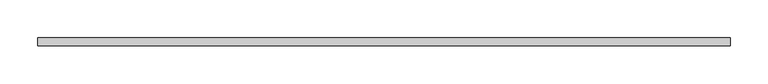
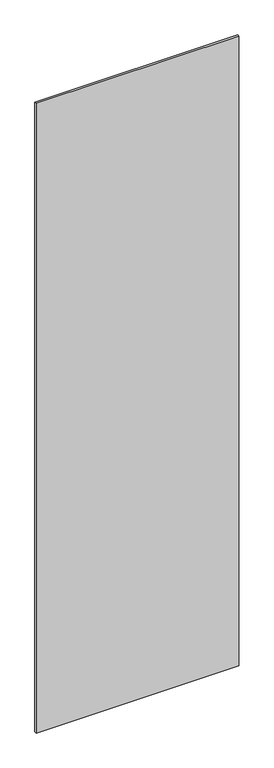
"""IFC4 building model written with IfcOpenShell, lengths in millimetres: plate geometry."""

from ifc_helpers import new_model, si_unit, origin, origin_with_axes, place, context, project, spatial, polyline, outline, extrude, source, transform, mapped, element, save


def plate_cbe70091(model_context):
    return source(origin(), model_context, "Body", "SweptSolid", [
        extrude(outline(polyline([(455.5000002, 5.0), (455.5000002, -5.0), (-455.5000002, -5.0), (-455.5000002, 5.0), (455.5000002, 5.0)])), origin_with_axes(), (0.0, 0.0, 1.0), 2994.0),
    ])


if __name__ == "__main__":
    model = new_model("IFC4")
    model_context = context("Model", 3, world=origin())
    ifc_project = project(units=[si_unit("LENGTHUNIT", "METRE", prefix="MILLI")], contexts=[model_context])
    site = spatial("IfcSite", under=ifc_project)
    building = spatial("IfcBuilding", under=site)
    placement = place(None, origin())
    plate_shape = plate_cbe70091(model_context)
    element("IfcPlate", 1, at=placement, inside=building, context=model_context, shape_type="MappedRepresentation", body=[
        mapped(plate_shape, transform((0.0, 0.0, 0.0), x_axis=(1.0, 0.0, 0.0), y_axis=(0.0, 1.0, 0.0), z_axis=(0.0, 0.0, 1.0))),
    ])
    save(model, "model.ifc")
